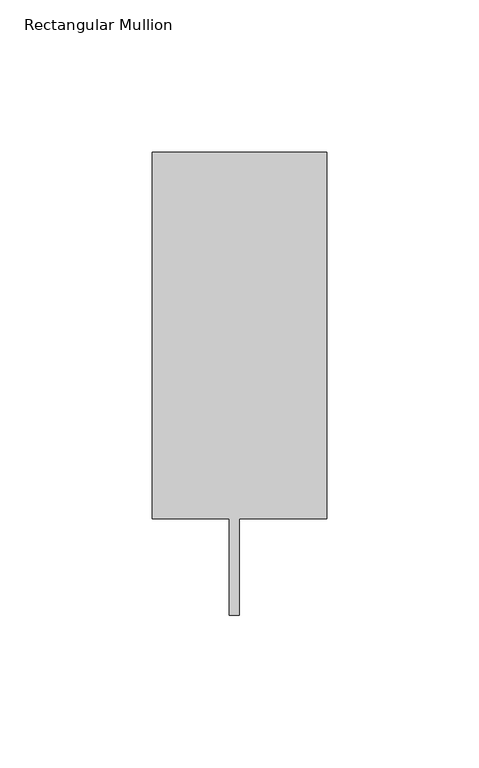
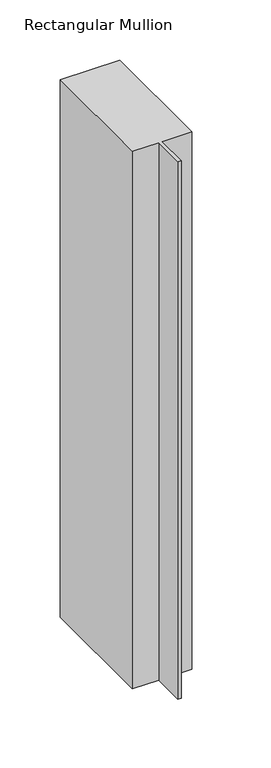
"""IFC4 building model written with IfcOpenShell, lengths in millimetres: member geometry, Rectangular Mullion."""

from ifc_helpers import new_model, si_unit, frame, origin, place, context, project, spatial, polyline, outline, extrude, source, transform, mapped, element, save


def rectangular_mullion_114e6f20(model_context):
    return source(origin(), model_context, "Body", "SweptSolid", [
        extrude(outline(polyline([(-57.15, 151.892), (0.0, 151.892), (0.0, 31.75), (-28.575, 31.75), (-28.575, 0.0), (-31.877, 0.0), (-31.877, 31.75), (-57.15, 31.75), (-57.15, 151.892)])), frame((0.0, 0.0, -546.1), z_axis=(0.0, 0.0, 1.0), x_axis=(1.0, 0.0, 0.0)), (0.0, 0.0, 1.0), 546.1),
    ])


if __name__ == "__main__":
    model = new_model("IFC4")
    model_context = context("Model", 3, world=origin())
    ifc_project = project(units=[si_unit("LENGTHUNIT", "METRE", prefix="MILLI")], contexts=[model_context])
    site = spatial("IfcSite", under=ifc_project)
    building = spatial("IfcBuilding", under=site)
    placement = place(None, origin())
    rectangular_mullion_shape = rectangular_mullion_114e6f20(model_context)
    element("IfcMember", 1, ObjectType="Rectangular Mullion", at=placement, inside=building, context=model_context, shape_type="MappedRepresentation", body=[
        mapped(rectangular_mullion_shape, transform((0.0, 0.0, 0.0), x_axis=(1.0, 0.0, 0.0), y_axis=(0.0, 1.0, 0.0), z_axis=(0.0, 0.0, 1.0))),
    ])
    save(model, "model.ifc")
